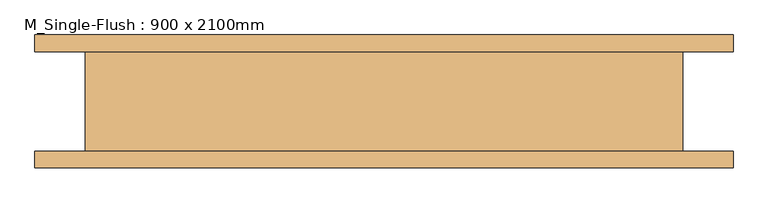
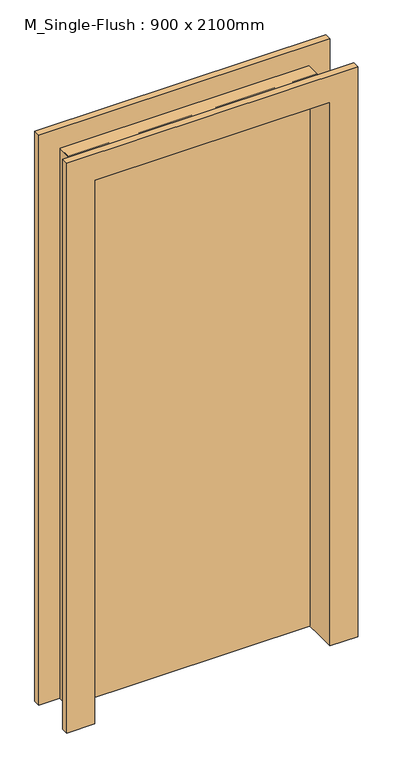
"""IFC4 building model written with IfcOpenShell, lengths in millimetres: door geometry, M_Single-Flush : 900 x 2100mm."""

import ifcopenshell
import ifcopenshell.guid

model = None  # the IFC model being written
_history = None  # IfcOwnerHistory: only IFC2X3 demands one
_inside = {}  # id of a spatial element -> (the spatial element, [elements in it])
_under = {}  # id of a project, library or spatial element -> (it, [spatial elements below it])
_declared = {}  # id of a project -> (the project, [libraries it declares])
_typed = {}  # id of a type object -> (the type object, [elements of that type])
_made_of = {}  # id of a material, layer set ... -> (it, [elements and type objects made of it])


def new_model(schema):
    """Start an empty IFC model of exactly this schema.

    Asked for "IFC4X3", IfcOpenShell would pick the latest addendum, in which some entities
    have other attributes; the version numbers below select the first issue.
    IFC2X3 requires an IfcOwnerHistory on every rooted entity: one is made here for all.
    """
    global model, _history
    if schema == "IFC4X3":
        model = ifcopenshell.file(schema_version=(4, 3, 0, 0))
    else:
        model = ifcopenshell.file(schema=schema)
    _inside.clear()
    _under.clear()
    _declared.clear()
    _typed.clear()
    _made_of.clear()
    _history = None
    if model.schema == "IFC2X3":
        org = make("IfcOrganization", Name="unknown")
        user = make(
            "IfcPersonAndOrganization",
            ThePerson=make("IfcPerson", FamilyName="unknown"),
            TheOrganization=org,
        )
        app = make(
            "IfcApplication",
            ApplicationDeveloper=org,
            Version="unknown",
            ApplicationFullName="unknown",
            ApplicationIdentifier="unknown",
        )
        _history = make(
            "IfcOwnerHistory",
            OwningUser=user,
            OwningApplication=app,
            ChangeAction="ADDED",
            CreationDate=0,
        )
    return model


def make(cls, **values):
    """One entity of the class cls with the attributes given. An attribute that is None is left unset."""
    return model.create_entity(
        cls, **{name: value for name, value in values.items() if value is not None}
    )


def rooted(cls, **values):
    """An entity with a GlobalId (a new one), such as an element, a storey or a relation."""
    return make(cls, GlobalId=ifcopenshell.guid.new(), OwnerHistory=_history, **values)


def si_unit(unit_type, name, prefix=None):
    """IfcSIUnit, for example si_unit("LENGTHUNIT", "METRE", prefix="MILLI")."""
    return make("IfcSIUnit", UnitType=unit_type, Prefix=prefix, Name=name)


def assignment(units):
    """IfcUnitAssignment: the units of a project."""
    return None if units is None else make("IfcUnitAssignment", Units=units)


def point(xyz):
    """IfcCartesianPoint."""
    return None if xyz is None else make("IfcCartesianPoint", Coordinates=xyz)


def direction(xyz):
    """IfcDirection."""
    return None if xyz is None else make("IfcDirection", DirectionRatios=xyz)


def frame(location, z_axis=None, x_axis=None):
    """IfcAxis2Placement3D, a coordinate frame: its origin and axes. An axis left out is left unset."""
    return make(
        "IfcAxis2Placement3D",
        Location=point(location),
        Axis=direction(z_axis),
        RefDirection=direction(x_axis),
    )


def origin():
    """The frame at (0, 0, 0) with its axes left unset."""
    return frame((0.0, 0.0, 0.0))


def origin_with_axes():
    """The frame at (0, 0, 0) with the z axis (0, 0, 1) and the x axis (1, 0, 0) written out."""
    return frame((0.0, 0.0, 0.0), z_axis=(0.0, 0.0, 1.0), x_axis=(1.0, 0.0, 0.0))


def place(relative_to, where):
    """IfcLocalPlacement: puts the frame where relative to a parent placement (None: the world)."""
    return make(
        "IfcLocalPlacement", PlacementRelTo=relative_to, RelativePlacement=where
    )


def context(
    kind, dimensions, precision=None, world=None, true_north=None, identifier=None
):
    """IfcGeometricRepresentationContext, for example the 3D "Model" context."""
    return make(
        "IfcGeometricRepresentationContext",
        ContextIdentifier=identifier,
        ContextType=kind,
        CoordinateSpaceDimension=dimensions,
        Precision=precision,
        WorldCoordinateSystem=world,
        TrueNorth=true_north,
    )


def project(units=None, contexts=None):
    """IfcProject with its units and contexts."""
    return rooted(
        "IfcProject",
        Name="project",
        RepresentationContexts=contexts,
        UnitsInContext=assignment(units),
    )


def spatial(cls, under=None, at=None, **own):
    """A site, building, storey or space (cls), placed at a placement, below another one or the project."""
    s = rooted(cls, ObjectPlacement=at, **own)
    if under is not None:
        _under.setdefault(under.id(), (under, []))[1].append(s)
    return s


def polyline(points):
    """IfcPolyline through the points."""
    return make("IfcPolyline", Points=[point(p) for p in points])


def outline(outer, holes=None, kind="AREA"):
    """IfcArbitraryClosedProfileDef: a profile drawn as a closed curve; with holes, ...WithVoids."""
    if holes is None:
        return make("IfcArbitraryClosedProfileDef", ProfileType=kind, OuterCurve=outer)
    return make(
        "IfcArbitraryProfileDefWithVoids",
        ProfileType=kind,
        OuterCurve=outer,
        InnerCurves=holes,
    )


def extrude(swept, where, along, depth):
    """IfcExtrudedAreaSolid: the profile swept, set in the frame where, extruded along a direction by depth."""
    return make(
        "IfcExtrudedAreaSolid",
        SweptArea=swept,
        Position=where,
        ExtrudedDirection=direction(along),
        Depth=depth,
    )


def faces_of(points, faces, orient=None, outer=None):
    """IfcFace entities. A face is a list of loops; a loop is a list of indices into points, from 0.

    orient and outer hold one flag for each loop. By default every Orientation is true, the
    first loop of a face is its IfcFaceOuterBound and the others are IfcFaceBound.
    """
    made = []
    for i, loops in enumerate(faces):
        bounds = []
        for j, loop in enumerate(loops):
            is_outer = j == 0 if outer is None else outer[i][j]
            bounds.append(
                make(
                    "IfcFaceOuterBound" if is_outer else "IfcFaceBound",
                    Bound=make("IfcPolyLoop", Polygon=[points[k] for k in loop]),
                    Orientation=True if orient is None else orient[i][j],
                )
            )
        made.append(make("IfcFace", Bounds=bounds))
    return made


def faceted_brep(points, faces, orient=None, outer=None, voids=None):
    """IfcFacetedBrep: a solid bounded by flat faces; with voids (closed shells), ...WithVoids."""
    shared = [point(p) for p in points]
    hull = make("IfcClosedShell", CfsFaces=faces_of(shared, faces, orient, outer))
    if voids is None:
        return make("IfcFacetedBrep", Outer=hull)
    return make(
        "IfcFacetedBrepWithVoids",
        Outer=hull,
        Voids=[
            make(cls, CfsFaces=faces_of(shared, fs, o, b)) for cls, fs, o, b in voids
        ],
    )


def shape(context_of_items, identifier, shape_type, items):
    """IfcShapeRepresentation: the items that make up one representation, for example the "Body"."""
    return make(
        "IfcShapeRepresentation",
        ContextOfItems=context_of_items,
        RepresentationIdentifier=identifier,
        RepresentationType=shape_type,
        Items=items,
    )


def source(mapping_origin, context_of_items, identifier, shape_type, items):
    """IfcRepresentationMap: a shape defined once, which mapped items show again and again."""
    return make(
        "IfcRepresentationMap",
        MappingOrigin=mapping_origin,
        MappedRepresentation=shape(context_of_items, identifier, shape_type, items),
    )


def transform(
    local_origin,
    x_axis=None,
    y_axis=None,
    z_axis=None,
    scale=None,
    scale2=None,
    scale3=None,
    uniform=True,
):
    """IfcCartesianTransformationOperator3D, or its non-uniform kind. x_axis, y_axis, z_axis: its Axis1, 2, 3."""
    if uniform:
        return make(
            "IfcCartesianTransformationOperator3D",
            Axis1=direction(x_axis),
            Axis2=direction(y_axis),
            LocalOrigin=point(local_origin),
            Scale=scale,
            Axis3=direction(z_axis),
        )
    return make(
        "IfcCartesianTransformationOperator3DnonUniform",
        Axis1=direction(x_axis),
        Axis2=direction(y_axis),
        LocalOrigin=point(local_origin),
        Scale=scale,
        Axis3=direction(z_axis),
        Scale2=scale2,
        Scale3=scale3,
    )


def mapped(mapping_source, mapping_target):
    """IfcMappedItem: shows the shape of a source again, moved by a transform."""
    return make(
        "IfcMappedItem", MappingSource=mapping_source, MappingTarget=mapping_target
    )


def made_of(thing, what):
    """Note that an element or type object is made of a material, layer set ...; save() writes the relation."""
    if what is not None:
        _made_of.setdefault(what.id(), (what, []))[1].append(thing)
    return thing


def element(
    cls,
    number,
    at=None,
    inside=None,
    cuts=None,
    type_object=None,
    material=None,
    context=None,
    identifier="Body",
    shape_type=None,
    held_by="IfcProductDefinitionShape",
    body=None,
    shapes=None,
    **own,
):
    """One element of the class cls, such as IfcWall. Its Tag is "e" and its number.

    at: its placement. inside: the storey or other place that contains it. cuts: it is an
    opening in that element (IfcRelVoidsElement). A single representation is given by context,
    identifier, shape_type and body (its items); several are given by shapes. held_by: the class
    of the entity that holds the representations. save() writes the other relations.
    """
    e = rooted(cls, Tag="e%d" % number, ObjectPlacement=at, **own)
    if body is not None:
        shapes = [shape(context, identifier, shape_type, body)]
    if shapes is not None:
        e.Representation = make(held_by, Representations=shapes)
    if inside is not None:
        _inside.setdefault(inside.id(), (inside, []))[1].append(e)
    if cuts is not None:
        rooted(
            "IfcRelVoidsElement", RelatingBuildingElement=cuts, RelatedOpeningElement=e
        )
    if type_object is not None:
        _typed.setdefault(type_object.id(), (type_object, []))[1].append(e)
    return made_of(e, material)


def aggregate(whole, parts):
    """IfcRelAggregates: a whole, such as a stair, and the parts it consists of."""
    return rooted("IfcRelAggregates", RelatingObject=whole, RelatedObjects=parts)


def save(model, path):
    """Write the relations noted so far, then the file.

    IfcRelAggregates (storeys below a building ...), IfcRelContainedInSpatialStructure (elements
    in a storey), IfcRelDefinesByType, IfcRelAssociatesMaterial and IfcRelDeclares: one each for
    every whole, place, type object, material and project.
    """
    for whole, parts in _under.values():
        aggregate(whole, parts)
    for where, things in _inside.values():
        rooted(
            "IfcRelContainedInSpatialStructure",
            RelatedElements=things,
            RelatingStructure=where,
        )
    for kind, things in _typed.values():
        rooted("IfcRelDefinesByType", RelatedObjects=things, RelatingType=kind)
    for what, things in _made_of.values():
        rooted("IfcRelAssociatesMaterial", RelatedObjects=things, RelatingMaterial=what)
    for by, libraries in _declared.values():
        rooted("IfcRelDeclares", RelatingContext=by, RelatedDefinitions=libraries)
    model.write(path)


def m_single_flush_900_x_2100mm_c1c30d1e(model_context):
    return source(origin(), model_context, "Body", "SolidModel", [
        faceted_brep([(526.0, -100.0, 2176.0), (-526.0, -100.0, 2176.0), (-526.0, -100.0, 0.0), (-425.0, -100.0, 0.0), (-425.0, -100.0, 2075.0), (425.0, -100.0, 2075.0), (425.0, -100.0, 0.0), (526.0, -100.0, 0.0), (526.0, -75.0, 2176.0), (526.0, -75.0, 0.0), (450.0, -75.0, 0.0), (450.0, -75.0, 2100.0), (-450.0, -75.0, 2100.0), (-450.0, -75.0, 0.0), (-526.0, -75.0, 0.0), (-526.0, -75.0, 2176.0), (-450.0, 75.0, 0.0), (-526.0, 75.0, 0.0), (-526.0, 100.0, 0.0), (-425.0, 100.0, 0.0), (425.0, 100.0, 0.0), (526.0, 100.0, 0.0), (526.0, 75.0, 0.0), (450.0, 75.0, 0.0), (425.0, 100.0, 2075.0), (-425.0, 100.0, 2075.0), (-526.0, 100.0, 2176.0), (526.0, 100.0, 2176.0), (450.0, 75.0, 2100.0), (-450.0, 75.0, 2100.0), (-526.0, 75.0, 2176.0), (526.0, 75.0, 2176.0)], [[[0, 1, 2, 3, 4, 5, 6, 7]], [[8, 9, 10, 11, 12, 13, 14, 15]], [[1, 0, 8, 15]], [[2, 1, 15, 14]], [[14, 13, 16, 17, 18, 19, 3, 2]], [[10, 9, 7, 6, 20, 21, 22, 23]], [[0, 7, 9, 8]], [[21, 20, 24, 25, 19, 18, 26, 27]], [[12, 11, 28, 29]], [[13, 12, 29, 16]], [[4, 3, 19, 25]], [[5, 4, 25, 24]], [[6, 5, 24, 20]], [[11, 10, 23, 28]], [[30, 17, 16, 29, 28, 23, 22, 31]], [[27, 26, 30, 31]], [[21, 27, 31, 22]], [[26, 18, 17, 30]]]),
        extrude(outline(polyline([(450.0, 24.0), (-450.0, 24.0), (-450.0, 75.0), (450.0, 75.0), (450.0, 24.0)])), origin_with_axes(), (0.0, 0.0, 1.0), 2100.0),
    ])


if __name__ == "__main__":
    model = new_model("IFC4")
    model_context = context("Model", 3, world=origin())
    ifc_project = project(units=[si_unit("LENGTHUNIT", "METRE", prefix="MILLI")], contexts=[model_context])
    site = spatial("IfcSite", under=ifc_project)
    building = spatial("IfcBuilding", under=site)
    placement = place(None, origin())
    m_single_flush_900_x_2100mm_shape = m_single_flush_900_x_2100mm_c1c30d1e(model_context)
    element("IfcDoor", 1, ObjectType="M_Single-Flush : 900 x 2100mm", at=placement, inside=building, context=model_context, shape_type="MappedRepresentation", body=[
        mapped(m_single_flush_900_x_2100mm_shape, transform((0.0, 0.0, 0.0), x_axis=(1.0, 0.0, 0.0), y_axis=(0.0, 1.0, 0.0), z_axis=(0.0, 0.0, 1.0))),
    ])
    save(model, "model.ifc")
